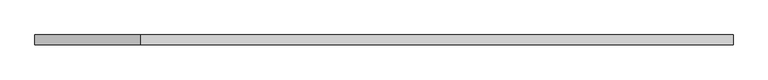
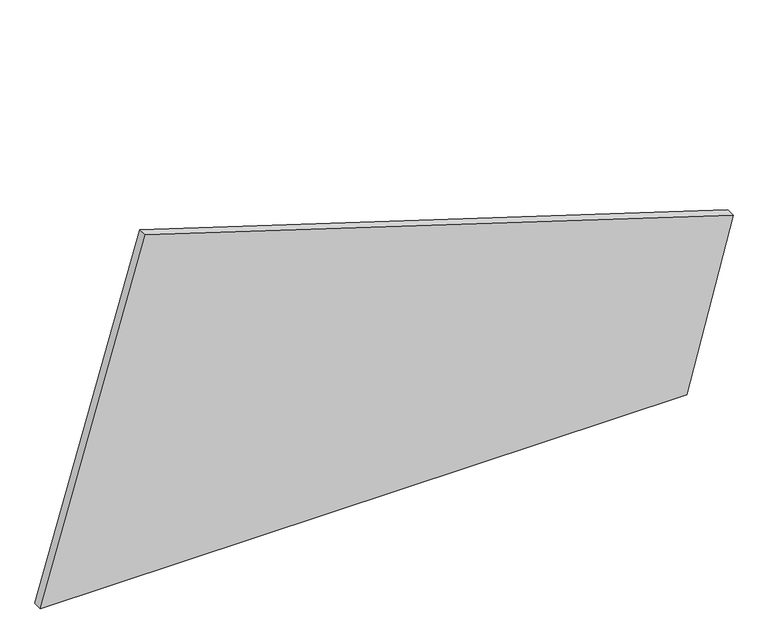
"""IFC4 building model written with IfcOpenShell, lengths in millimetres: plate geometry."""

from ifc_helpers import new_model, si_unit, frame, origin, place, context, project, spatial, polyline, outline, extrude, source, transform, mapped, element, save


def plate_a33d5700(model_context):
    return source(origin(), model_context, "Body", "SweptSolid", [
        extrude(outline(polyline([(0.0, -905.9055069), (0.0, 784.276032), (453.92738, 905.9055069), (937.0167833, -631.1295999), (0.0, -905.9055069)])), frame((0.0, 24.5, 0.0), z_axis=(0.0, 1.0, 0.0), x_axis=(0.0, 0.0, 1.0)), (0.0, 0.0, 1.0), 25.0),
    ])


if __name__ == "__main__":
    model = new_model("IFC4")
    model_context = context("Model", 3, world=origin())
    ifc_project = project(units=[si_unit("LENGTHUNIT", "METRE", prefix="MILLI")], contexts=[model_context])
    site = spatial("IfcSite", under=ifc_project)
    building = spatial("IfcBuilding", under=site)
    placement = place(None, origin())
    plate_shape = plate_a33d5700(model_context)
    element("IfcPlate", 1, at=placement, inside=building, context=model_context, shape_type="MappedRepresentation", body=[
        mapped(plate_shape, transform((0.0, 0.0, 0.0), x_axis=(1.0, 0.0, 0.0), y_axis=(0.0, 1.0, 0.0), z_axis=(0.0, 0.0, 1.0))),
    ])
    save(model, "model.ifc")
